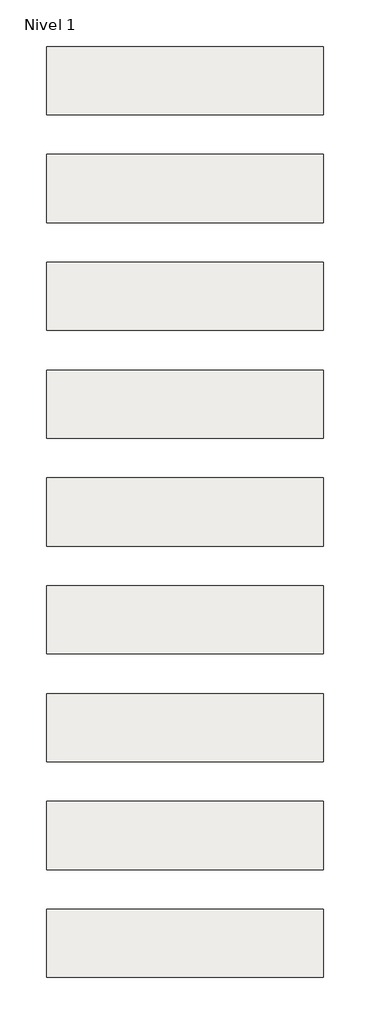
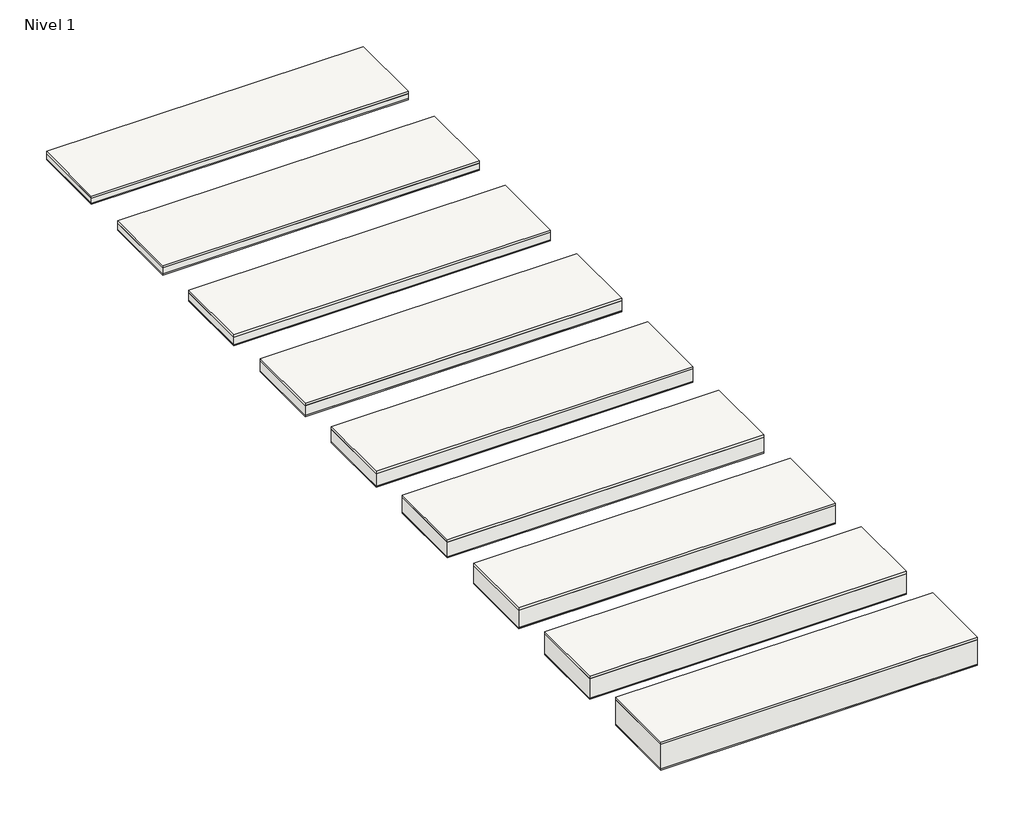
# One storey: 9 roofs.
"""IFC4 building model written with IfcOpenShell, lengths in millimetres."""

import ifcopenshell
import ifcopenshell.guid

model = None  # the IFC model being written
_history = None  # IfcOwnerHistory: only IFC2X3 demands one
_inside = {}  # id of a spatial element -> (the spatial element, [elements in it])
_under = {}  # id of a project, library or spatial element -> (it, [spatial elements below it])
_declared = {}  # id of a project -> (the project, [libraries it declares])
_typed = {}  # id of a type object -> (the type object, [elements of that type])
_made_of = {}  # id of a material, layer set ... -> (it, [elements and type objects made of it])


def new_model(schema):
    """Start an empty IFC model of exactly this schema.

    Asked for "IFC4X3", IfcOpenShell would pick the latest addendum, in which some entities
    have other attributes; the version numbers below select the first issue.
    IFC2X3 requires an IfcOwnerHistory on every rooted entity: one is made here for all.
    """
    global model, _history
    if schema == "IFC4X3":
        model = ifcopenshell.file(schema_version=(4, 3, 0, 0))
    else:
        model = ifcopenshell.file(schema=schema)
    _inside.clear()
    _under.clear()
    _declared.clear()
    _typed.clear()
    _made_of.clear()
    _history = None
    if model.schema == "IFC2X3":
        org = make("IfcOrganization", Name="unknown")
        user = make(
            "IfcPersonAndOrganization",
            ThePerson=make("IfcPerson", FamilyName="unknown"),
            TheOrganization=org,
        )
        app = make(
            "IfcApplication",
            ApplicationDeveloper=org,
            Version="unknown",
            ApplicationFullName="unknown",
            ApplicationIdentifier="unknown",
        )
        _history = make(
            "IfcOwnerHistory",
            OwningUser=user,
            OwningApplication=app,
            ChangeAction="ADDED",
            CreationDate=0,
        )
    return model


def make(cls, **values):
    """One entity of the class cls with the attributes given. An attribute that is None is left unset."""
    return model.create_entity(
        cls, **{name: value for name, value in values.items() if value is not None}
    )


def rooted(cls, **values):
    """An entity with a GlobalId (a new one), such as an element, a storey or a relation."""
    return make(cls, GlobalId=ifcopenshell.guid.new(), OwnerHistory=_history, **values)


def si_unit(unit_type, name, prefix=None):
    """IfcSIUnit, for example si_unit("LENGTHUNIT", "METRE", prefix="MILLI")."""
    return make("IfcSIUnit", UnitType=unit_type, Prefix=prefix, Name=name)


def assignment(units):
    """IfcUnitAssignment: the units of a project."""
    return None if units is None else make("IfcUnitAssignment", Units=units)


def point(xyz):
    """IfcCartesianPoint."""
    return None if xyz is None else make("IfcCartesianPoint", Coordinates=xyz)


def direction(xyz):
    """IfcDirection."""
    return None if xyz is None else make("IfcDirection", DirectionRatios=xyz)


def frame(location, z_axis=None, x_axis=None):
    """IfcAxis2Placement3D, a coordinate frame: its origin and axes. An axis left out is left unset."""
    return make(
        "IfcAxis2Placement3D",
        Location=point(location),
        Axis=direction(z_axis),
        RefDirection=direction(x_axis),
    )


def origin():
    """The frame at (0, 0, 0) with its axes left unset."""
    return frame((0.0, 0.0, 0.0))


def origin_with_axes():
    """The frame at (0, 0, 0) with the z axis (0, 0, 1) and the x axis (1, 0, 0) written out."""
    return frame((0.0, 0.0, 0.0), z_axis=(0.0, 0.0, 1.0), x_axis=(1.0, 0.0, 0.0))


def place(relative_to, where):
    """IfcLocalPlacement: puts the frame where relative to a parent placement (None: the world)."""
    return make(
        "IfcLocalPlacement", PlacementRelTo=relative_to, RelativePlacement=where
    )


def context(
    kind, dimensions, precision=None, world=None, true_north=None, identifier=None
):
    """IfcGeometricRepresentationContext, for example the 3D "Model" context."""
    return make(
        "IfcGeometricRepresentationContext",
        ContextIdentifier=identifier,
        ContextType=kind,
        CoordinateSpaceDimension=dimensions,
        Precision=precision,
        WorldCoordinateSystem=world,
        TrueNorth=true_north,
    )


def project(units=None, contexts=None):
    """IfcProject with its units and contexts."""
    return rooted(
        "IfcProject",
        Name="project",
        RepresentationContexts=contexts,
        UnitsInContext=assignment(units),
    )


def spatial(cls, under=None, at=None, **own):
    """A site, building, storey or space (cls), placed at a placement, below another one or the project."""
    s = rooted(cls, ObjectPlacement=at, **own)
    if under is not None:
        _under.setdefault(under.id(), (under, []))[1].append(s)
    return s


def polyline(points):
    """IfcPolyline through the points."""
    return make("IfcPolyline", Points=[point(p) for p in points])


def outline(outer, holes=None, kind="AREA"):
    """IfcArbitraryClosedProfileDef: a profile drawn as a closed curve; with holes, ...WithVoids."""
    if holes is None:
        return make("IfcArbitraryClosedProfileDef", ProfileType=kind, OuterCurve=outer)
    return make(
        "IfcArbitraryProfileDefWithVoids",
        ProfileType=kind,
        OuterCurve=outer,
        InnerCurves=holes,
    )


def extrude(swept, where, along, depth):
    """IfcExtrudedAreaSolid: the profile swept, set in the frame where, extruded along a direction by depth."""
    return make(
        "IfcExtrudedAreaSolid",
        SweptArea=swept,
        Position=where,
        ExtrudedDirection=direction(along),
        Depth=depth,
    )


def shape(context_of_items, identifier, shape_type, items):
    """IfcShapeRepresentation: the items that make up one representation, for example the "Body"."""
    return make(
        "IfcShapeRepresentation",
        ContextOfItems=context_of_items,
        RepresentationIdentifier=identifier,
        RepresentationType=shape_type,
        Items=items,
    )


def made_of(thing, what):
    """Note that an element or type object is made of a material, layer set ...; save() writes the relation."""
    if what is not None:
        _made_of.setdefault(what.id(), (what, []))[1].append(thing)
    return thing


def element(
    cls,
    number,
    at=None,
    inside=None,
    cuts=None,
    type_object=None,
    material=None,
    context=None,
    identifier="Body",
    shape_type=None,
    held_by="IfcProductDefinitionShape",
    body=None,
    shapes=None,
    **own,
):
    """One element of the class cls, such as IfcWall. Its Tag is "e" and its number.

    at: its placement. inside: the storey or other place that contains it. cuts: it is an
    opening in that element (IfcRelVoidsElement). A single representation is given by context,
    identifier, shape_type and body (its items); several are given by shapes. held_by: the class
    of the entity that holds the representations. save() writes the other relations.
    """
    e = rooted(cls, Tag="e%d" % number, ObjectPlacement=at, **own)
    if body is not None:
        shapes = [shape(context, identifier, shape_type, body)]
    if shapes is not None:
        e.Representation = make(held_by, Representations=shapes)
    if inside is not None:
        _inside.setdefault(inside.id(), (inside, []))[1].append(e)
    if cuts is not None:
        rooted(
            "IfcRelVoidsElement", RelatingBuildingElement=cuts, RelatedOpeningElement=e
        )
    if type_object is not None:
        _typed.setdefault(type_object.id(), (type_object, []))[1].append(e)
    return made_of(e, material)


def aggregate(whole, parts):
    """IfcRelAggregates: a whole, such as a stair, and the parts it consists of."""
    return rooted("IfcRelAggregates", RelatingObject=whole, RelatedObjects=parts)


def save(model, path):
    """Write the relations noted so far, then the file.

    IfcRelAggregates (storeys below a building ...), IfcRelContainedInSpatialStructure (elements
    in a storey), IfcRelDefinesByType, IfcRelAssociatesMaterial and IfcRelDeclares: one each for
    every whole, place, type object, material and project.
    """
    for whole, parts in _under.values():
        aggregate(whole, parts)
    for where, things in _inside.values():
        rooted(
            "IfcRelContainedInSpatialStructure",
            RelatedElements=things,
            RelatingStructure=where,
        )
    for kind, things in _typed.values():
        rooted("IfcRelDefinesByType", RelatedObjects=things, RelatingType=kind)
    for what, things in _made_of.values():
        rooted("IfcRelAssociatesMaterial", RelatedObjects=things, RelatingMaterial=what)
    for by, libraries in _declared.values():
        rooted("IfcRelDeclares", RelatingContext=by, RelatedDefinitions=libraries)
    model.write(path)


model = new_model("IFC4")

# Units and contexts
model_context = context("Model", 3, world=origin())
ifc_project = project(units=[si_unit("LENGTHUNIT", "METRE", prefix="MILLI")], contexts=[model_context])

# Site, building, storey
site = spatial("IfcSite", under=ifc_project)
building = spatial("IfcBuilding", under=site)
storey = spatial("IfcBuildingStorey", under=building, Name="Nivel 1", Elevation=0.0)

# Roofs
placement = place(None, origin())
element("IfcRoof", 1, at=placement, inside=storey, context=model_context, shape_type="SweptSolid", body=[
    extrude(outline(polyline([(-3824.6699095, -6894.5376473), (-1384.6699095, -6894.5376473), (-1384.6699095, -7494.5376473), (-3824.6699095, -7494.5376473), (-3824.6699095, -6894.5376473)])), frame((0.0, 0.0, 59.0), z_axis=(0.0, 0.0, 1.0), x_axis=(1.0, 0.0, 0.0)), (0.0, 0.0, 1.0), 19.0),
    extrude(outline(polyline([(-3824.6699095, -6894.5376473), (-1384.6699095, -6894.5376473), (-1384.6699095, -7494.5376473), (-3824.6699095, -7494.5376473), (-3824.6699095, -6894.5376473)])), frame((0.0, 0.0, 9.0), z_axis=(0.0, 0.0, 1.0), x_axis=(1.0, 0.0, 0.0)), (0.0, 0.0, 1.0), 50.0),
    extrude(outline(polyline([(-3824.6699095, -6894.5376473), (-1384.6699095, -6894.5376473), (-1384.6699095, -7494.5376473), (-3824.6699095, -7494.5376473), (-3824.6699095, -6894.5376473)])), origin_with_axes(), (0.0, 0.0, 1.0), 9.0),
])
element("IfcRoof", 2, at=placement, inside=storey, context=model_context, shape_type="SweptSolid", body=[
    extrude(outline(polyline([(-3824.6699095, -5944.5376473), (-1384.6699095, -5944.5376473), (-1384.6699095, -6544.5376473), (-3824.6699095, -6544.5376473), (-3824.6699095, -5944.5376473)])), frame((0.0, 0.0, 49.0), z_axis=(0.0, 0.0, 1.0), x_axis=(1.0, 0.0, 0.0)), (0.0, 0.0, 1.0), 19.0),
    extrude(outline(polyline([(-3824.6699095, -5944.5376473), (-1384.6699095, -5944.5376473), (-1384.6699095, -6544.5376473), (-3824.6699095, -6544.5376473), (-3824.6699095, -5944.5376473)])), frame((0.0, 0.0, 9.0), z_axis=(0.0, 0.0, 1.0), x_axis=(1.0, 0.0, 0.0)), (0.0, 0.0, 1.0), 40.0),
    extrude(outline(polyline([(-3824.6699095, -5944.5376473), (-1384.6699095, -5944.5376473), (-1384.6699095, -6544.5376473), (-3824.6699095, -6544.5376473), (-3824.6699095, -5944.5376473)])), origin_with_axes(), (0.0, 0.0, 1.0), 9.0),
])
element("IfcRoof", 3, at=placement, inside=storey, context=model_context, shape_type="SweptSolid", body=[
    extrude(outline(polyline([(-3824.6699095, -7844.5376473), (-1384.6699095, -7844.5376473), (-1384.6699095, -8444.5376473), (-3824.6699095, -8444.5376473), (-3824.6699095, -7844.5376473)])), frame((0.0, 0.0, 69.0), z_axis=(0.0, 0.0, 1.0), x_axis=(1.0, 0.0, 0.0)), (0.0, 0.0, 1.0), 19.0),
    extrude(outline(polyline([(-3824.6699095, -7844.5376473), (-1384.6699095, -7844.5376473), (-1384.6699095, -8444.5376473), (-3824.6699095, -8444.5376473), (-3824.6699095, -7844.5376473)])), frame((0.0, 0.0, 9.0), z_axis=(0.0, 0.0, 1.0), x_axis=(1.0, 0.0, 0.0)), (0.0, 0.0, 1.0), 60.0),
    extrude(outline(polyline([(-3824.6699095, -7844.5376473), (-1384.6699095, -7844.5376473), (-1384.6699095, -8444.5376473), (-3824.6699095, -8444.5376473), (-3824.6699095, -7844.5376473)])), origin_with_axes(), (0.0, 0.0, 1.0), 9.0),
])
element("IfcRoof", 4, at=placement, inside=storey, context=model_context, shape_type="SweptSolid", body=[
    extrude(outline(polyline([(-3824.6699095, -8794.5376473), (-1384.6699095, -8794.5376473), (-1384.6699095, -9394.5376473), (-3824.6699095, -9394.5376473), (-3824.6699095, -8794.5376473)])), frame((0.0, 0.0, 89.0), z_axis=(0.0, 0.0, 1.0), x_axis=(1.0, 0.0, 0.0)), (0.0, 0.0, 1.0), 19.0),
    extrude(outline(polyline([(-3824.6699095, -8794.5376473), (-1384.6699095, -8794.5376473), (-1384.6699095, -9394.5376473), (-3824.6699095, -9394.5376473), (-3824.6699095, -8794.5376473)])), frame((0.0, 0.0, 9.0), z_axis=(0.0, 0.0, 1.0), x_axis=(1.0, 0.0, 0.0)), (0.0, 0.0, 1.0), 80.0),
    extrude(outline(polyline([(-3824.6699095, -8794.5376473), (-1384.6699095, -8794.5376473), (-1384.6699095, -9394.5376473), (-3824.6699095, -9394.5376473), (-3824.6699095, -8794.5376473)])), origin_with_axes(), (0.0, 0.0, 1.0), 9.0),
])
element("IfcRoof", 5, at=placement, inside=storey, context=model_context, shape_type="SweptSolid", body=[
    extrude(outline(polyline([(-3824.6699095, -9744.5376473), (-1384.6699095, -9744.5376473), (-1384.6699095, -10344.5376473), (-3824.6699095, -10344.5376473), (-3824.6699095, -9744.5376473)])), frame((0.0, 0.0, 109.0), z_axis=(0.0, 0.0, 1.0), x_axis=(1.0, 0.0, 0.0)), (0.0, 0.0, 1.0), 19.0),
    extrude(outline(polyline([(-3824.6699095, -9744.5376473), (-1384.6699095, -9744.5376473), (-1384.6699095, -10344.5376473), (-3824.6699095, -10344.5376473), (-3824.6699095, -9744.5376473)])), frame((0.0, 0.0, 9.0), z_axis=(0.0, 0.0, 1.0), x_axis=(1.0, 0.0, 0.0)), (0.0, 0.0, 1.0), 100.0),
    extrude(outline(polyline([(-3824.6699095, -9744.5376473), (-1384.6699095, -9744.5376473), (-1384.6699095, -10344.5376473), (-3824.6699095, -10344.5376473), (-3824.6699095, -9744.5376473)])), origin_with_axes(), (0.0, 0.0, 1.0), 9.0),
])
element("IfcRoof", 6, at=placement, inside=storey, context=model_context, shape_type="SweptSolid", body=[
    extrude(outline(polyline([(-3824.6699095, -10694.5376473), (-1384.6699095, -10694.5376473), (-1384.6699095, -11294.5376473), (-3824.6699095, -11294.5376473), (-3824.6699095, -10694.5376473)])), frame((0.0, 0.0, 129.0), z_axis=(0.0, 0.0, 1.0), x_axis=(1.0, 0.0, 0.0)), (0.0, 0.0, 1.0), 19.0),
    extrude(outline(polyline([(-3824.6699095, -10694.5376473), (-1384.6699095, -10694.5376473), (-1384.6699095, -11294.5376473), (-3824.6699095, -11294.5376473), (-3824.6699095, -10694.5376473)])), frame((0.0, 0.0, 9.0), z_axis=(0.0, 0.0, 1.0), x_axis=(1.0, 0.0, 0.0)), (0.0, 0.0, 1.0), 120.0),
    extrude(outline(polyline([(-3824.6699095, -10694.5376473), (-1384.6699095, -10694.5376473), (-1384.6699095, -11294.5376473), (-3824.6699095, -11294.5376473), (-3824.6699095, -10694.5376473)])), origin_with_axes(), (0.0, 0.0, 1.0), 9.0),
])
element("IfcRoof", 7, at=placement, inside=storey, context=model_context, shape_type="SweptSolid", body=[
    extrude(outline(polyline([(-3824.6699095, -11644.5376473), (-1384.6699095, -11644.5376473), (-1384.6699095, -12244.5376473), (-3824.6699095, -12244.5376473), (-3824.6699095, -11644.5376473)])), frame((0.0, 0.0, 149.0), z_axis=(0.0, 0.0, 1.0), x_axis=(1.0, 0.0, 0.0)), (0.0, 0.0, 1.0), 19.0),
    extrude(outline(polyline([(-3824.6699095, -11644.5376473), (-1384.6699095, -11644.5376473), (-1384.6699095, -12244.5376473), (-3824.6699095, -12244.5376473), (-3824.6699095, -11644.5376473)])), frame((0.0, 0.0, 9.0), z_axis=(0.0, 0.0, 1.0), x_axis=(1.0, 0.0, 0.0)), (0.0, 0.0, 1.0), 140.0),
    extrude(outline(polyline([(-3824.6699095, -11644.5376473), (-1384.6699095, -11644.5376473), (-1384.6699095, -12244.5376473), (-3824.6699095, -12244.5376473), (-3824.6699095, -11644.5376473)])), origin_with_axes(), (0.0, 0.0, 1.0), 9.0),
])
element("IfcRoof", 8, at=placement, inside=storey, context=model_context, shape_type="SweptSolid", body=[
    extrude(outline(polyline([(-3824.6699095, -12594.5376473), (-1384.6699095, -12594.5376473), (-1384.6699095, -13194.5376473), (-3824.6699095, -13194.5376473), (-3824.6699095, -12594.5376473)])), frame((0.0, 0.0, 169.0), z_axis=(0.0, 0.0, 1.0), x_axis=(1.0, 0.0, 0.0)), (0.0, 0.0, 1.0), 19.0),
    extrude(outline(polyline([(-3824.6699095, -12594.5376473), (-1384.6699095, -12594.5376473), (-1384.6699095, -13194.5376473), (-3824.6699095, -13194.5376473), (-3824.6699095, -12594.5376473)])), frame((0.0, 0.0, 9.0), z_axis=(0.0, 0.0, 1.0), x_axis=(1.0, 0.0, 0.0)), (0.0, 0.0, 1.0), 160.0),
    extrude(outline(polyline([(-3824.6699095, -12594.5376473), (-1384.6699095, -12594.5376473), (-1384.6699095, -13194.5376473), (-3824.6699095, -13194.5376473), (-3824.6699095, -12594.5376473)])), origin_with_axes(), (0.0, 0.0, 1.0), 9.0),
])
element("IfcRoof", 9, at=placement, inside=storey, context=model_context, shape_type="SweptSolid", body=[
    extrude(outline(polyline([(-3824.6699095, -13544.5376473), (-1384.6699095, -13544.5376473), (-1384.6699095, -14144.5376473), (-3824.6699095, -14144.5376473), (-3824.6699095, -13544.5376473)])), frame((0.0, 0.0, 209.0), z_axis=(0.0, 0.0, 1.0), x_axis=(1.0, 0.0, 0.0)), (0.0, 0.0, 1.0), 19.0),
    extrude(outline(polyline([(-3824.6699095, -13544.5376473), (-1384.6699095, -13544.5376473), (-1384.6699095, -14144.5376473), (-3824.6699095, -14144.5376473), (-3824.6699095, -13544.5376473)])), frame((0.0, 0.0, 9.0), z_axis=(0.0, 0.0, 1.0), x_axis=(1.0, 0.0, 0.0)), (0.0, 0.0, 1.0), 200.0),
    extrude(outline(polyline([(-3824.6699095, -13544.5376473), (-1384.6699095, -13544.5376473), (-1384.6699095, -14144.5376473), (-3824.6699095, -14144.5376473), (-3824.6699095, -13544.5376473)])), origin_with_axes(), (0.0, 0.0, 1.0), 9.0),
])

save(model, "model.ifc")
